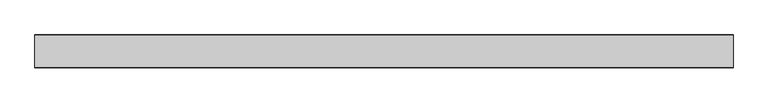
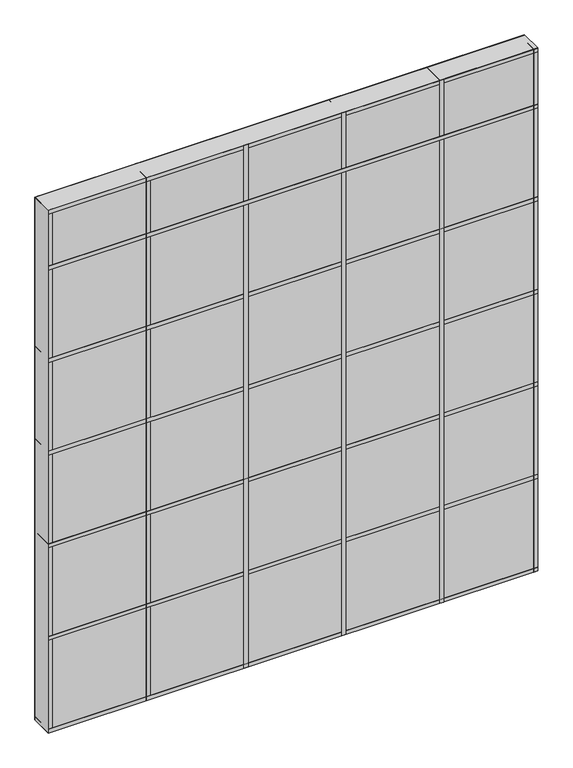
"""IFC4 building model written with IfcOpenShell, lengths in millimetres: plate geometry."""

from ifc_helpers import new_model, si_unit, frame, origin, origin_with_axes, place, context, project, spatial, polyline, outline, extrude, source, transform, mapped, element, save


def plate_ec75e6d0(model_context):
    return source(origin(), model_context, "Body", "SweptSolid", [
        extrude(outline(polyline([(762.0, 34.925), (762.0, -34.925), (-762.0, -34.925), (-762.0, 34.925), (762.0, 34.925)])), origin_with_axes(), (0.0, 0.0, 1.0), 1720.85),
        extrude(outline(polyline([(762.0, 35.71875), (762.0, -35.71875), (-762.0, -35.71875), (-762.0, 35.71875), (762.0, 35.71875)])), frame((0.0, 0.0, 1524.0), z_axis=(0.0, 0.0, 1.0), x_axis=(1.0, 0.0, 0.0)), (0.0, 0.0, 1.0), 12.7),
        extrude(outline(polyline([(469.9, 35.71875), (469.9, -35.71875), (457.2, -35.71875), (457.2, 35.71875), (469.9, 35.71875)])), origin_with_axes(), (0.0, 0.0, 1.0), 1720.85),
        extrude(outline(polyline([(165.1, 35.71875), (165.1, -35.71875), (152.4, -35.71875), (152.4, 35.71875), (165.1, 35.71875)])), origin_with_axes(), (0.0, 0.0, 1.0), 1720.85),
        extrude(outline(polyline([(-139.7, 35.71875), (-139.7, -35.71875), (-152.4, -35.71875), (-152.4, 35.71875), (-139.7, 35.71875)])), origin_with_axes(), (0.0, 0.0, 1.0), 1720.85),
        extrude(outline(polyline([(762.0, 35.71875), (762.0, -35.71875), (-762.0, -35.71875), (-762.0, 35.71875), (762.0, 35.71875)])), frame((0.0, 0.0, 1219.2), z_axis=(0.0, 0.0, 1.0), x_axis=(1.0, 0.0, 0.0)), (0.0, 0.0, 1.0), 12.7),
        extrude(outline(polyline([(762.0, 35.71875), (762.0, -35.71875), (-762.0, -35.71875), (-762.0, 35.71875), (762.0, 35.71875)])), frame((0.0, 0.0, 914.4), z_axis=(0.0, 0.0, 1.0), x_axis=(1.0, 0.0, 0.0)), (0.0, 0.0, 1.0), 12.7),
        extrude(outline(polyline([(762.0, 35.71875), (762.0, -35.71875), (-762.0, -35.71875), (-762.0, 35.71875), (762.0, 35.71875)])), frame((0.0, 0.0, 609.6), z_axis=(0.0, 0.0, 1.0), x_axis=(1.0, 0.0, 0.0)), (0.0, 0.0, 1.0), 12.7),
        extrude(outline(polyline([(762.0, 35.71875), (762.0, -35.71875), (-762.0, -35.71875), (-762.0, 35.71875), (762.0, 35.71875)])), frame((0.0, 0.0, 1708.15), z_axis=(0.0, 0.0, 1.0), x_axis=(1.0, 0.0, 0.0)), (0.0, 0.0, 1.0), 12.7),
        extrude(outline(polyline([(762.0, 35.71875), (762.0, -35.71875), (-762.0, -35.71875), (-762.0, 35.71875), (762.0, 35.71875)])), frame((0.0, 0.0, 304.8), z_axis=(0.0, 0.0, 1.0), x_axis=(1.0, 0.0, 0.0)), (0.0, 0.0, 1.0), 12.7),
        extrude(outline(polyline([(762.0, 35.71875), (762.0, -35.71875), (-762.0, -35.71875), (-762.0, 35.71875), (762.0, 35.71875)])), origin_with_axes(), (0.0, 0.0, 1.0), 12.7),
        extrude(outline(polyline([(-444.5, 35.71875), (-444.5, -35.71875), (-457.2, -35.71875), (-457.2, 35.71875), (-444.5, 35.71875)])), origin_with_axes(), (0.0, 0.0, 1.0), 1720.85),
        extrude(outline(polyline([(762.0, 35.71875), (762.0, -35.71875), (749.3, -35.71875), (749.3, 35.71875), (762.0, 35.71875)])), origin_with_axes(), (0.0, 0.0, 1.0), 1720.85),
        extrude(outline(polyline([(-749.3, 35.71875), (-749.3, -35.71875), (-762.0, -35.71875), (-762.0, 35.71875), (-749.3, 35.71875)])), origin_with_axes(), (0.0, 0.0, 1.0), 1720.85),
    ])


if __name__ == "__main__":
    model = new_model("IFC4")
    model_context = context("Model", 3, world=origin())
    ifc_project = project(units=[si_unit("LENGTHUNIT", "METRE", prefix="MILLI")], contexts=[model_context])
    site = spatial("IfcSite", under=ifc_project)
    building = spatial("IfcBuilding", under=site)
    placement = place(None, origin())
    plate_shape = plate_ec75e6d0(model_context)
    element("IfcPlate", 1, at=placement, inside=building, context=model_context, shape_type="MappedRepresentation", body=[
        mapped(plate_shape, transform((0.0, 0.0, 0.0), x_axis=(1.0, 0.0, 0.0), y_axis=(0.0, 1.0, 0.0), z_axis=(0.0, 0.0, 1.0))),
    ])
    save(model, "model.ifc")
